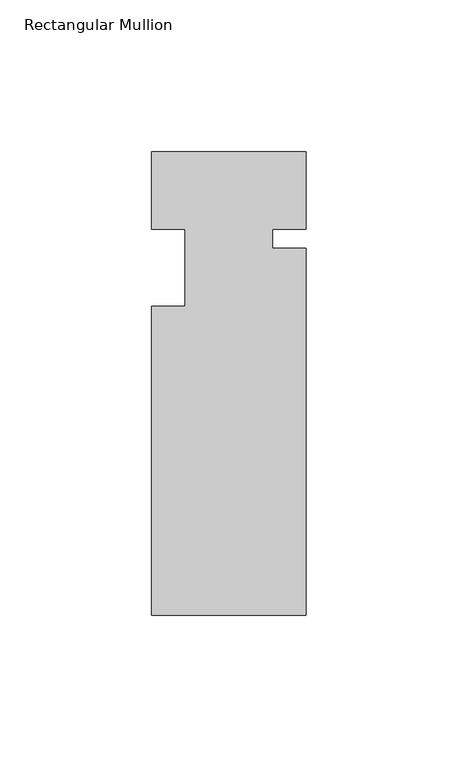
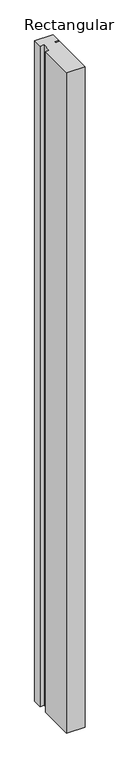
"""IFC4 building model written with IfcOpenShell, lengths in millimetres: member geometry, Rectangular Mullion."""

from ifc_helpers import new_model, si_unit, frame, origin, place, context, project, spatial, polyline, outline, extrude, source, transform, mapped, element, save


def rectangular_mullion_89f57209(model_context):
    return source(origin(), model_context, "Body", "SweptSolid", [
        extrude(outline(polyline([(25.4, -25.4), (14.3002, -25.4), (14.3002, -31.75), (25.4, -31.75), (25.4, -152.4), (-25.4, -152.4), (-25.4, -50.8), (-14.398625, -50.8), (-14.398625, -25.4), (-25.4, -25.4), (-25.4, 0.0), (25.4, 0.0), (25.4, -25.4)])), frame((0.0, 0.0, -1930.400584), z_axis=(0.0, 0.0, 1.0), x_axis=(1.0, 0.0, 0.0)), (0.0, 0.0, 1.0), 1930.400584),
    ])


if __name__ == "__main__":
    model = new_model("IFC4")
    model_context = context("Model", 3, world=origin())
    ifc_project = project(units=[si_unit("LENGTHUNIT", "METRE", prefix="MILLI")], contexts=[model_context])
    site = spatial("IfcSite", under=ifc_project)
    building = spatial("IfcBuilding", under=site)
    placement = place(None, origin())
    rectangular_mullion_shape = rectangular_mullion_89f57209(model_context)
    element("IfcMember", 1, ObjectType="Rectangular Mullion", at=placement, inside=building, context=model_context, shape_type="MappedRepresentation", body=[
        mapped(rectangular_mullion_shape, transform((0.0, 0.0, 0.0), x_axis=(1.0, 0.0, 0.0), y_axis=(0.0, 1.0, 0.0), z_axis=(0.0, 0.0, 1.0))),
    ])
    save(model, "model.ifc")
